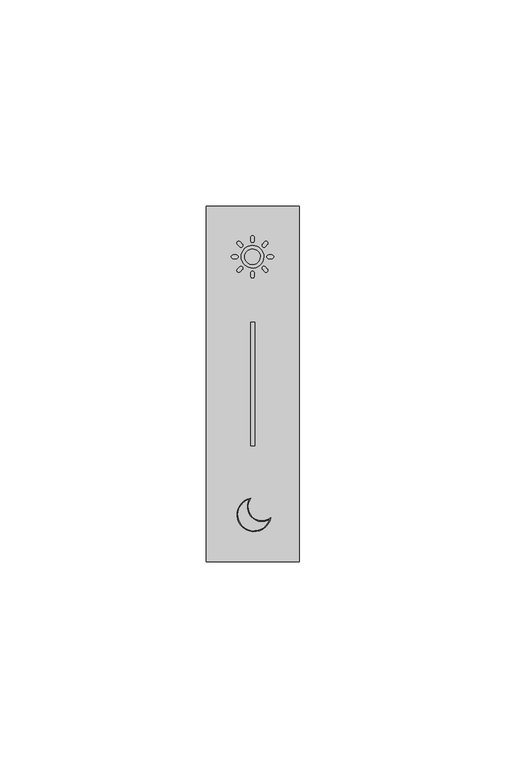
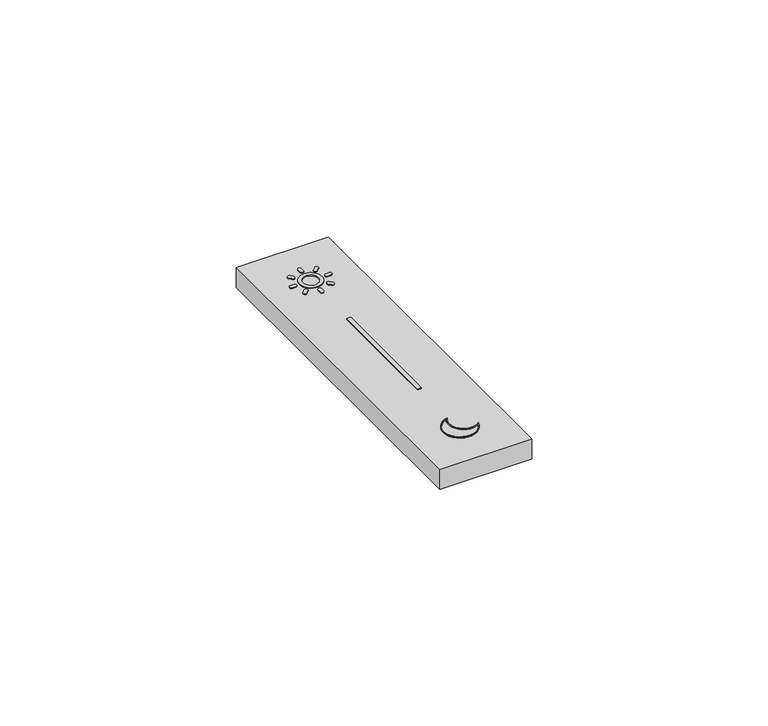
"""IFC4 building model written with IfcOpenShell, lengths in millimetres: proxy geometry."""

from ifc_helpers import new_model, si_unit, point, frame, frame_2d, origin, place, context, project, spatial, polyline, circle_curve, trimmed, segment, composite_curve, outline, extrude, source, transform, mapped, element, save


def electrical_fixtures_9500fc10(model_context):
    return source(origin(), model_context, "Body", "SweptSolid", [
        extrude(outline(composite_curve([segment(trimmed(circle_curve(frame_2d((11.1425534, 77.7126464)), 0.4343474), [point((11.5769008, 77.7126464))], [point((10.708206, 77.7126464))], False, "CARTESIAN"), True, "CONTINUOUS"), segment(polyline([(10.708206, 77.7126464), (10.708206, 78.5117991)]), True, "CONTINUOUS"), segment(trimmed(circle_curve(frame_2d((11.1425534, 78.5117991)), 0.4343474), [point((10.708206, 78.5117991))], [point((11.5769008, 78.5117991))], False, "CARTESIAN"), True, "CONTINUOUS"), segment(polyline([(11.5769008, 78.5117991), (11.5769008, 77.7126464)]), True, "CONTINUOUS")], self_intersect=False)), frame((0.0, 0.0, 10.7), z_axis=(0.0, 0.0, 1.0), x_axis=(1.0, 0.0, 0.0)), (0.0, 0.0, 1.0), 0.2064159),
        extrude(outline(composite_curve([segment(trimmed(circle_curve(frame_2d((11.1425534, 73.8126464)), 2.7343474), [point((13.6684796, 74.8597151))], [point((8.6166272, 72.7655777))], False, "CARTESIAN"), True, "CONTINUOUS"), segment(trimmed(circle_curve(frame_2d((11.1425534, 73.8126464)), 2.7343474), [point((8.6166272, 72.7655777))], [point((13.6684796, 74.8597151))], False, "CARTESIAN"), True, "CONTINUOUS")], self_intersect=False), holes=[composite_curve([segment(trimmed(circle_curve(frame_2d((11.1425534, 73.8126464)), 1.8656526), [point((12.8659995, 74.5270643))], [point((9.4191073, 73.0982284))], True, "CARTESIAN"), True, "CONTINUOUS"), segment(trimmed(circle_curve(frame_2d((11.1425534, 73.8126464)), 1.8656526), [point((9.4191073, 73.0982284))], [point((12.8659995, 74.5270643))], True, "CARTESIAN"), True, "CONTINUOUS")], self_intersect=False)]), frame((0.0, 0.0, 10.7), z_axis=(0.0, 0.0, 1.0), x_axis=(1.0, 0.0, 0.0)), (0.0, 0.0, 1.0), 0.2064159),
        extrude(outline(composite_curve([segment(trimmed(circle_curve(frame_2d((13.9002698, 76.5703628)), 0.4343474), [point((14.2073999, 76.2632328))], [point((13.5931398, 76.8774928))], False, "CARTESIAN"), True, "CONTINUOUS"), segment(polyline([(13.5931398, 76.8774928), (14.1582261, 77.4425791)]), True, "CONTINUOUS"), segment(trimmed(circle_curve(frame_2d((14.4653562, 77.1354491)), 0.4343474), [point((14.1582261, 77.4425791))], [point((14.7724862, 76.8283191))], False, "CARTESIAN"), True, "CONTINUOUS"), segment(polyline([(14.7724862, 76.8283191), (14.2073999, 76.2632328)]), True, "CONTINUOUS")], self_intersect=False)), frame((0.0, 0.0, 10.7), z_axis=(0.0, 0.0, 1.0), x_axis=(1.0, 0.0, 0.0)), (0.0, 0.0, 1.0), 0.2064159),
        extrude(outline(composite_curve([segment(trimmed(circle_curve(frame_2d((15.0425534, 73.8126464)), 0.4343474), [point((15.0425534, 73.378299))], [point((15.0425534, 74.2469938))], False, "CARTESIAN"), True, "CONTINUOUS"), segment(polyline([(15.0425534, 74.2469938), (15.8417061, 74.2469938)]), True, "CONTINUOUS"), segment(trimmed(circle_curve(frame_2d((15.8417061, 73.8126464)), 0.4343474), [point((15.8417061, 74.2469938))], [point((15.8417061, 73.378299))], False, "CARTESIAN"), True, "CONTINUOUS"), segment(polyline([(15.8417061, 73.378299), (15.0425534, 73.378299)]), True, "CONTINUOUS")], self_intersect=False)), frame((0.0, 0.0, 10.7), z_axis=(0.0, 0.0, 1.0), x_axis=(1.0, 0.0, 0.0)), (0.0, 0.0, 1.0), 0.2064159),
        extrude(outline(composite_curve([segment(trimmed(circle_curve(frame_2d((13.9002698, 71.0549299)), 0.4343474), [point((13.5931398, 70.7477999))], [point((14.2073999, 71.3620599))], False, "CARTESIAN"), True, "CONTINUOUS"), segment(polyline([(14.2073999, 71.3620599), (14.7724862, 70.7969736)]), True, "CONTINUOUS"), segment(trimmed(circle_curve(frame_2d((14.4653562, 70.4898436)), 0.4343474), [point((14.7724862, 70.7969736))], [point((14.1582261, 70.1827136))], False, "CARTESIAN"), True, "CONTINUOUS"), segment(polyline([(14.1582261, 70.1827136), (13.5931398, 70.7477999)]), True, "CONTINUOUS")], self_intersect=False)), frame((0.0, 0.0, 10.7), z_axis=(0.0, 0.0, 1.0), x_axis=(1.0, 0.0, 0.0)), (0.0, 0.0, 1.0), 0.2064159),
        extrude(outline(composite_curve([segment(trimmed(circle_curve(frame_2d((11.1425534, 69.9126464)), 0.4343474), [point((10.708206, 69.9126464))], [point((11.5769008, 69.9126464))], False, "CARTESIAN"), True, "CONTINUOUS"), segment(polyline([(11.5769008, 69.9126464), (11.5769008, 69.1134937)]), True, "CONTINUOUS"), segment(trimmed(circle_curve(frame_2d((11.1425534, 69.1134937)), 0.4343474), [point((11.5769008, 69.1134937))], [point((10.708206, 69.1134937))], False, "CARTESIAN"), True, "CONTINUOUS"), segment(polyline([(10.708206, 69.1134937), (10.708206, 69.9126464)]), True, "CONTINUOUS")], self_intersect=False)), frame((0.0, 0.0, 10.7), z_axis=(0.0, 0.0, 1.0), x_axis=(1.0, 0.0, 0.0)), (0.0, 0.0, 1.0), 0.2064159),
        extrude(outline(composite_curve([segment(polyline([(8.0777069, 76.2632328), (7.5126206, 76.8283191)]), True, "CONTINUOUS"), segment(trimmed(circle_curve(frame_2d((7.8197506, 77.1354491)), 0.4343474), [point((7.5126206, 76.8283191))], [point((8.1268807, 77.4425791))], False, "CARTESIAN"), True, "CONTINUOUS"), segment(polyline([(8.1268807, 77.4425791), (8.691967, 76.8774928)]), True, "CONTINUOUS"), segment(trimmed(circle_curve(frame_2d((8.384837, 76.5703628)), 0.4343474), [point((8.691967, 76.8774928))], [point((8.0777069, 76.2632328))], False, "CARTESIAN"), True, "CONTINUOUS")], self_intersect=False)), frame((0.0, 0.0, 10.7), z_axis=(0.0, 0.0, 1.0), x_axis=(1.0, 0.0, 0.0)), (0.0, 0.0, 1.0), 0.2064159),
        extrude(outline(composite_curve([segment(polyline([(7.2425534, 73.378299), (6.4434007, 73.378299)]), True, "CONTINUOUS"), segment(trimmed(circle_curve(frame_2d((6.4434007, 73.8126464)), 0.4343474), [point((6.4434007, 73.378299))], [point((6.4434007, 74.2469938))], False, "CARTESIAN"), True, "CONTINUOUS"), segment(polyline([(6.4434007, 74.2469938), (7.2425534, 74.2469938)]), True, "CONTINUOUS"), segment(trimmed(circle_curve(frame_2d((7.2425534, 73.8126464)), 0.4343474), [point((7.2425534, 74.2469938))], [point((7.2425534, 73.378299))], False, "CARTESIAN"), True, "CONTINUOUS")], self_intersect=False)), frame((0.0, 0.0, 10.7), z_axis=(0.0, 0.0, 1.0), x_axis=(1.0, 0.0, 0.0)), (0.0, 0.0, 1.0), 0.2064159),
        extrude(outline(composite_curve([segment(polyline([(8.691967, 70.7477999), (8.1268807, 70.1827136)]), True, "CONTINUOUS"), segment(trimmed(circle_curve(frame_2d((7.8197506, 70.4898436)), 0.4343474), [point((8.1268807, 70.1827136))], [point((7.5126206, 70.7969736))], False, "CARTESIAN"), True, "CONTINUOUS"), segment(polyline([(7.5126206, 70.7969736), (8.0777069, 71.3620599)]), True, "CONTINUOUS"), segment(trimmed(circle_curve(frame_2d((8.384837, 71.0549299)), 0.4343474), [point((8.0777069, 71.3620599))], [point((8.691967, 70.7477999))], False, "CARTESIAN"), True, "CONTINUOUS")], self_intersect=False)), frame((0.0, 0.0, 10.7), z_axis=(0.0, 0.0, 1.0), x_axis=(1.0, 0.0, 0.0)), (0.0, 0.0, 1.0), 0.2064159),
        extrude(outline(composite_curve([segment(trimmed(circle_curve(frame_2d((11.5170137, 11.3508216)), 4.0952978), [point((15.5341028, 10.554292))], [point((10.7204841, 15.3679107))], False, "CARTESIAN"), True, "CONTINUOUS"), segment(trimmed(circle_curve(frame_2d((13.4575794, 13.2913873)), 3.4356426), [point((10.7204841, 15.3679107))], [point((15.5341028, 10.554292))], True, "CARTESIAN"), True, "CONTINUOUS")], self_intersect=False), holes=[composite_curve([segment(trimmed(circle_curve(frame_2d((13.4575794, 13.2913873)), 3.6356426), [point((15.2075937, 10.1046418))], [point((10.2708339, 15.0414016))], False, "CARTESIAN"), True, "CONTINUOUS"), segment(trimmed(circle_curve(frame_2d((11.5170137, 11.3508216)), 3.8952978), [point((10.2708339, 15.0414016))], [point((15.2075937, 10.1046418))], True, "CARTESIAN"), True, "CONTINUOUS")], self_intersect=False)]), frame((0.0, 0.0, 10.7), z_axis=(0.0, 0.0, 1.0), x_axis=(1.0, 0.0, 0.0)), (0.0, 0.0, 1.0), 0.2064159),
        extrude(outline(polyline([(10.75, 58.0), (11.75, 58.0), (11.75, 28.0), (10.75, 28.0), (10.75, 58.0)])), frame((0.0, 0.0, 5.5), z_axis=(0.0, 0.0, 1.0), x_axis=(1.0, 0.0, 0.0)), (0.0, 0.0, 1.0), 5.2),
        extrude(outline(polyline([(0.0, 0.0), (0.0, 86.0), (22.5, 86.0), (22.5, 0.0), (0.0, 0.0)]), holes=[polyline([(10.75, 58.0), (10.75, 28.0), (11.75, 28.0), (11.75, 58.0), (10.75, 58.0)])]), frame((0.0, 0.0, 5.5), z_axis=(0.0, 0.0, 1.0), x_axis=(1.0, 0.0, 0.0)), (0.0, 0.0, 1.0), 5.2),
    ])


if __name__ == "__main__":
    model = new_model("IFC4")
    model_context = context("Model", 3, world=origin())
    ifc_project = project(units=[si_unit("LENGTHUNIT", "METRE", prefix="MILLI")], contexts=[model_context])
    site = spatial("IfcSite", under=ifc_project)
    building = spatial("IfcBuilding", under=site)
    placement = place(None, origin())
    electrical_fixtures_shape = electrical_fixtures_9500fc10(model_context)
    element("IfcBuildingElementProxy", 1, Name="Electrical Fixtures", at=placement, inside=building, context=model_context, shape_type="MappedRepresentation", body=[
        mapped(electrical_fixtures_shape, transform((0.0, 0.0, 0.0), x_axis=(1.0, 0.0, 0.0), y_axis=(0.0, 1.0, 0.0), z_axis=(0.0, 0.0, 1.0))),
    ])
    save(model, "model.ifc")
